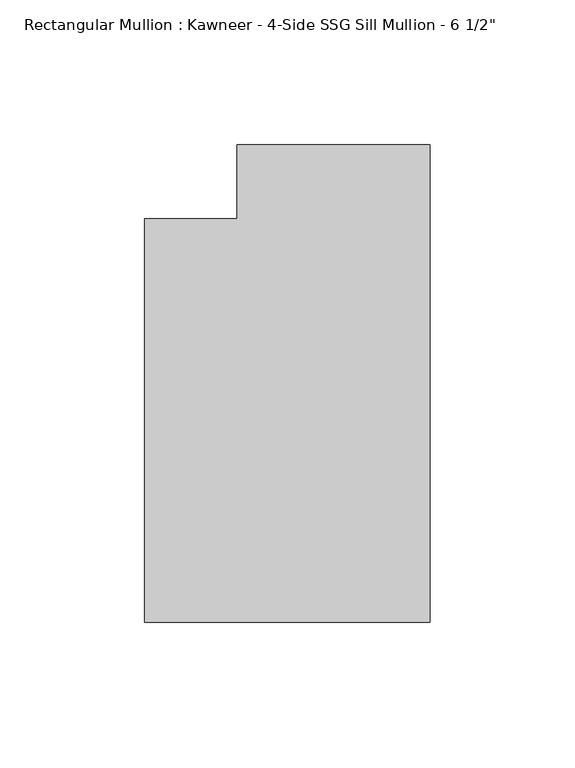
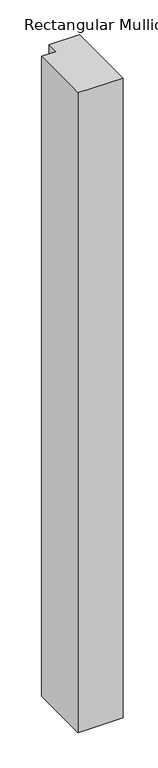
"""IFC4 building model written with IfcOpenShell, lengths in millimetres: member geometry."""

import ifcopenshell
import ifcopenshell.guid

model = None  # the IFC model being written
_history = None  # IfcOwnerHistory: only IFC2X3 demands one
_inside = {}  # id of a spatial element -> (the spatial element, [elements in it])
_under = {}  # id of a project, library or spatial element -> (it, [spatial elements below it])
_declared = {}  # id of a project -> (the project, [libraries it declares])
_typed = {}  # id of a type object -> (the type object, [elements of that type])
_made_of = {}  # id of a material, layer set ... -> (it, [elements and type objects made of it])


def new_model(schema):
    """Start an empty IFC model of exactly this schema.

    Asked for "IFC4X3", IfcOpenShell would pick the latest addendum, in which some entities
    have other attributes; the version numbers below select the first issue.
    IFC2X3 requires an IfcOwnerHistory on every rooted entity: one is made here for all.
    """
    global model, _history
    if schema == "IFC4X3":
        model = ifcopenshell.file(schema_version=(4, 3, 0, 0))
    else:
        model = ifcopenshell.file(schema=schema)
    _inside.clear()
    _under.clear()
    _declared.clear()
    _typed.clear()
    _made_of.clear()
    _history = None
    if model.schema == "IFC2X3":
        org = make("IfcOrganization", Name="unknown")
        user = make(
            "IfcPersonAndOrganization",
            ThePerson=make("IfcPerson", FamilyName="unknown"),
            TheOrganization=org,
        )
        app = make(
            "IfcApplication",
            ApplicationDeveloper=org,
            Version="unknown",
            ApplicationFullName="unknown",
            ApplicationIdentifier="unknown",
        )
        _history = make(
            "IfcOwnerHistory",
            OwningUser=user,
            OwningApplication=app,
            ChangeAction="ADDED",
            CreationDate=0,
        )
    return model


def make(cls, **values):
    """One entity of the class cls with the attributes given. An attribute that is None is left unset."""
    return model.create_entity(
        cls, **{name: value for name, value in values.items() if value is not None}
    )


def rooted(cls, **values):
    """An entity with a GlobalId (a new one), such as an element, a storey or a relation."""
    return make(cls, GlobalId=ifcopenshell.guid.new(), OwnerHistory=_history, **values)


def si_unit(unit_type, name, prefix=None):
    """IfcSIUnit, for example si_unit("LENGTHUNIT", "METRE", prefix="MILLI")."""
    return make("IfcSIUnit", UnitType=unit_type, Prefix=prefix, Name=name)


def assignment(units):
    """IfcUnitAssignment: the units of a project."""
    return None if units is None else make("IfcUnitAssignment", Units=units)


def point(xyz):
    """IfcCartesianPoint."""
    return None if xyz is None else make("IfcCartesianPoint", Coordinates=xyz)


def direction(xyz):
    """IfcDirection."""
    return None if xyz is None else make("IfcDirection", DirectionRatios=xyz)


def frame(location, z_axis=None, x_axis=None):
    """IfcAxis2Placement3D, a coordinate frame: its origin and axes. An axis left out is left unset."""
    return make(
        "IfcAxis2Placement3D",
        Location=point(location),
        Axis=direction(z_axis),
        RefDirection=direction(x_axis),
    )


def origin():
    """The frame at (0, 0, 0) with its axes left unset."""
    return frame((0.0, 0.0, 0.0))


def place(relative_to, where):
    """IfcLocalPlacement: puts the frame where relative to a parent placement (None: the world)."""
    return make(
        "IfcLocalPlacement", PlacementRelTo=relative_to, RelativePlacement=where
    )


def context(
    kind, dimensions, precision=None, world=None, true_north=None, identifier=None
):
    """IfcGeometricRepresentationContext, for example the 3D "Model" context."""
    return make(
        "IfcGeometricRepresentationContext",
        ContextIdentifier=identifier,
        ContextType=kind,
        CoordinateSpaceDimension=dimensions,
        Precision=precision,
        WorldCoordinateSystem=world,
        TrueNorth=true_north,
    )


def project(units=None, contexts=None):
    """IfcProject with its units and contexts."""
    return rooted(
        "IfcProject",
        Name="project",
        RepresentationContexts=contexts,
        UnitsInContext=assignment(units),
    )


def spatial(cls, under=None, at=None, **own):
    """A site, building, storey or space (cls), placed at a placement, below another one or the project."""
    s = rooted(cls, ObjectPlacement=at, **own)
    if under is not None:
        _under.setdefault(under.id(), (under, []))[1].append(s)
    return s


def polyline(points):
    """IfcPolyline through the points."""
    return make("IfcPolyline", Points=[point(p) for p in points])


def outline(outer, holes=None, kind="AREA"):
    """IfcArbitraryClosedProfileDef: a profile drawn as a closed curve; with holes, ...WithVoids."""
    if holes is None:
        return make("IfcArbitraryClosedProfileDef", ProfileType=kind, OuterCurve=outer)
    return make(
        "IfcArbitraryProfileDefWithVoids",
        ProfileType=kind,
        OuterCurve=outer,
        InnerCurves=holes,
    )


def extrude(swept, where, along, depth):
    """IfcExtrudedAreaSolid: the profile swept, set in the frame where, extruded along a direction by depth."""
    return make(
        "IfcExtrudedAreaSolid",
        SweptArea=swept,
        Position=where,
        ExtrudedDirection=direction(along),
        Depth=depth,
    )


def shape(context_of_items, identifier, shape_type, items):
    """IfcShapeRepresentation: the items that make up one representation, for example the "Body"."""
    return make(
        "IfcShapeRepresentation",
        ContextOfItems=context_of_items,
        RepresentationIdentifier=identifier,
        RepresentationType=shape_type,
        Items=items,
    )


def source(mapping_origin, context_of_items, identifier, shape_type, items):
    """IfcRepresentationMap: a shape defined once, which mapped items show again and again."""
    return make(
        "IfcRepresentationMap",
        MappingOrigin=mapping_origin,
        MappedRepresentation=shape(context_of_items, identifier, shape_type, items),
    )


def transform(
    local_origin,
    x_axis=None,
    y_axis=None,
    z_axis=None,
    scale=None,
    scale2=None,
    scale3=None,
    uniform=True,
):
    """IfcCartesianTransformationOperator3D, or its non-uniform kind. x_axis, y_axis, z_axis: its Axis1, 2, 3."""
    if uniform:
        return make(
            "IfcCartesianTransformationOperator3D",
            Axis1=direction(x_axis),
            Axis2=direction(y_axis),
            LocalOrigin=point(local_origin),
            Scale=scale,
            Axis3=direction(z_axis),
        )
    return make(
        "IfcCartesianTransformationOperator3DnonUniform",
        Axis1=direction(x_axis),
        Axis2=direction(y_axis),
        LocalOrigin=point(local_origin),
        Scale=scale,
        Axis3=direction(z_axis),
        Scale2=scale2,
        Scale3=scale3,
    )


def mapped(mapping_source, mapping_target):
    """IfcMappedItem: shows the shape of a source again, moved by a transform."""
    return make(
        "IfcMappedItem", MappingSource=mapping_source, MappingTarget=mapping_target
    )


def made_of(thing, what):
    """Note that an element or type object is made of a material, layer set ...; save() writes the relation."""
    if what is not None:
        _made_of.setdefault(what.id(), (what, []))[1].append(thing)
    return thing


def element(
    cls,
    number,
    at=None,
    inside=None,
    cuts=None,
    type_object=None,
    material=None,
    context=None,
    identifier="Body",
    shape_type=None,
    held_by="IfcProductDefinitionShape",
    body=None,
    shapes=None,
    **own,
):
    """One element of the class cls, such as IfcWall. Its Tag is "e" and its number.

    at: its placement. inside: the storey or other place that contains it. cuts: it is an
    opening in that element (IfcRelVoidsElement). A single representation is given by context,
    identifier, shape_type and body (its items); several are given by shapes. held_by: the class
    of the entity that holds the representations. save() writes the other relations.
    """
    e = rooted(cls, Tag="e%d" % number, ObjectPlacement=at, **own)
    if body is not None:
        shapes = [shape(context, identifier, shape_type, body)]
    if shapes is not None:
        e.Representation = make(held_by, Representations=shapes)
    if inside is not None:
        _inside.setdefault(inside.id(), (inside, []))[1].append(e)
    if cuts is not None:
        rooted(
            "IfcRelVoidsElement", RelatingBuildingElement=cuts, RelatedOpeningElement=e
        )
    if type_object is not None:
        _typed.setdefault(type_object.id(), (type_object, []))[1].append(e)
    return made_of(e, material)


def aggregate(whole, parts):
    """IfcRelAggregates: a whole, such as a stair, and the parts it consists of."""
    return rooted("IfcRelAggregates", RelatingObject=whole, RelatedObjects=parts)


def save(model, path):
    """Write the relations noted so far, then the file.

    IfcRelAggregates (storeys below a building ...), IfcRelContainedInSpatialStructure (elements
    in a storey), IfcRelDefinesByType, IfcRelAssociatesMaterial and IfcRelDeclares: one each for
    every whole, place, type object, material and project.
    """
    for whole, parts in _under.values():
        aggregate(whole, parts)
    for where, things in _inside.values():
        rooted(
            "IfcRelContainedInSpatialStructure",
            RelatedElements=things,
            RelatingStructure=where,
        )
    for kind, things in _typed.values():
        rooted("IfcRelDefinesByType", RelatedObjects=things, RelatingType=kind)
    for what, things in _made_of.values():
        rooted("IfcRelAssociatesMaterial", RelatedObjects=things, RelatingMaterial=what)
    for by, libraries in _declared.values():
        rooted("IfcRelDeclares", RelatingContext=by, RelatedDefinitions=libraries)
    model.write(path)


def member_b1bc8f74(model_context):
    return source(origin(), model_context, "Body", "SweptSolid", [
        extrude(outline(polyline([(0.0, -151.892), (-98.425, -151.892), (-98.425, -12.7), (-66.6751132, -12.7), (-66.6751132, 12.7), (0.0, 12.7), (0.0, -151.892)])), frame((0.0, 0.0, -1481.7266175), z_axis=(0.0, 0.0, 1.0), x_axis=(1.0, 0.0, 0.0)), (0.0, 0.0, 1.0), 1481.7266175),
    ])


if __name__ == "__main__":
    model = new_model("IFC4")
    model_context = context("Model", 3, world=origin())
    ifc_project = project(units=[si_unit("LENGTHUNIT", "METRE", prefix="MILLI")], contexts=[model_context])
    site = spatial("IfcSite", under=ifc_project)
    building = spatial("IfcBuilding", under=site)
    placement = place(None, origin())
    member_shape = member_b1bc8f74(model_context)
    element("IfcMember", 1, ObjectType="Rectangular Mullion : Kawneer - 4-Side SSG Sill Mullion - 6 1/2\"", at=placement, inside=building, context=model_context, shape_type="MappedRepresentation", body=[
        mapped(member_shape, transform((0.0, 0.0, 0.0), x_axis=(1.0, 0.0, 0.0), y_axis=(0.0, 1.0, 0.0), z_axis=(0.0, 0.0, 1.0))),
    ])
    save(model, "model.ifc")
